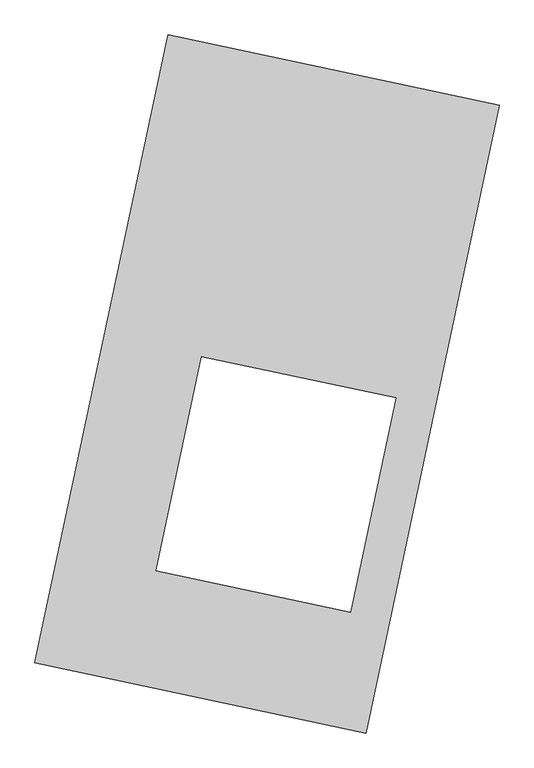
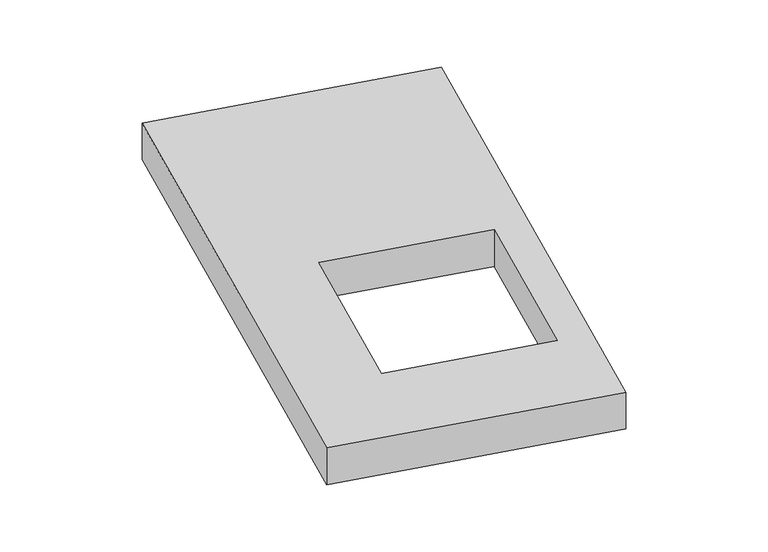
"""IFC4 building model written with IfcOpenShell, lengths in millimetres: proxy geometry."""

from ifc_helpers import new_model, si_unit, origin, origin_with_axes, place, context, project, spatial, polyline, outline, extrude, source, transform, mapped, element, save


def generic_models_b9e408e2(model_context):
    return source(origin(), model_context, "Body", "SweptSolid", [
        extrude(outline(polyline([(-617.3692021, 2175.5580432), (1447.7508745, 1737.3010494), (617.3692021, -2175.5580432), (-1447.7508745, -1737.3010494), (-617.3692021, 2175.5580432)]), holes=[polyline([(804.9583427, -86.4331651), (-406.7554974, 170.7151096), (-690.1535877, -1164.6910432), (521.5602524, -1421.8393179), (804.9583427, -86.4331651)])]), origin_with_axes(), (0.0, 0.0, 1.0), 300.0),
    ])


if __name__ == "__main__":
    model = new_model("IFC4")
    model_context = context("Model", 3, world=origin())
    ifc_project = project(units=[si_unit("LENGTHUNIT", "METRE", prefix="MILLI")], contexts=[model_context])
    site = spatial("IfcSite", under=ifc_project)
    building = spatial("IfcBuilding", under=site)
    placement = place(None, origin())
    generic_models_shape = generic_models_b9e408e2(model_context)
    element("IfcBuildingElementProxy", 1, Name="Generic Models", at=placement, inside=building, context=model_context, shape_type="MappedRepresentation", body=[
        mapped(generic_models_shape, transform((0.0, 0.0, 0.0), x_axis=(1.0, 0.0, 0.0), y_axis=(0.0, 1.0, 0.0), z_axis=(0.0, 0.0, 1.0))),
    ])
    save(model, "model.ifc")
